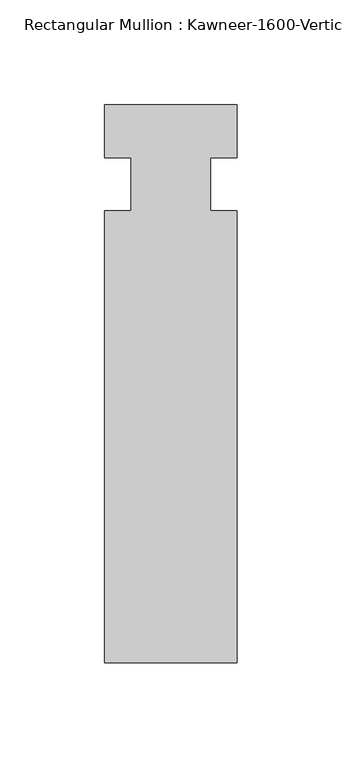
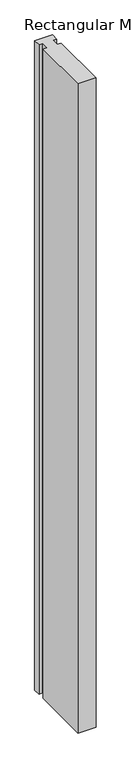
"""IFC4 building model written with IfcOpenShell, lengths in millimetres: member geometry."""

from ifc_helpers import new_model, si_unit, frame, origin, place, context, project, spatial, polyline, outline, extrude, source, transform, mapped, element, save


def member_06eaf1fc(model_context):
    return source(origin(), model_context, "Body", "SweptSolid", [
        extrude(outline(polyline([(31.75, -228.6), (-31.75, -228.6), (-31.75, -12.7), (-19.05, -12.7), (-19.05, 12.7), (-31.75, 12.7), (-31.75, 38.1), (31.75, 38.1), (31.75, 12.7), (19.05, 12.7), (19.05, -12.7), (31.75, -12.7), (31.75, -228.6)])), frame((0.0, 0.0, -2438.4), z_axis=(0.0, 0.0, 1.0), x_axis=(1.0, 0.0, 0.0)), (0.0, 0.0, 1.0), 2438.4),
    ])


if __name__ == "__main__":
    model = new_model("IFC4")
    model_context = context("Model", 3, world=origin())
    ifc_project = project(units=[si_unit("LENGTHUNIT", "METRE", prefix="MILLI")], contexts=[model_context])
    site = spatial("IfcSite", under=ifc_project)
    building = spatial("IfcBuilding", under=site)
    placement = place(None, origin())
    member_shape = member_06eaf1fc(model_context)
    element("IfcMember", 1, ObjectType="Rectangular Mullion : Kawneer-1600-Vertical_Interior-System1-10_1/2\"-1\"Infill", at=placement, inside=building, context=model_context, shape_type="MappedRepresentation", body=[
        mapped(member_shape, transform((0.0, 0.0, 0.0), x_axis=(1.0, 0.0, 0.0), y_axis=(0.0, 1.0, 0.0), z_axis=(0.0, 0.0, 1.0))),
    ])
    save(model, "model.ifc")
